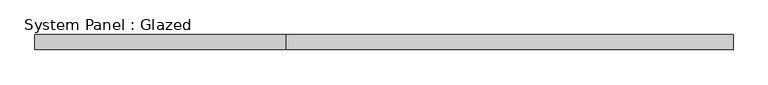
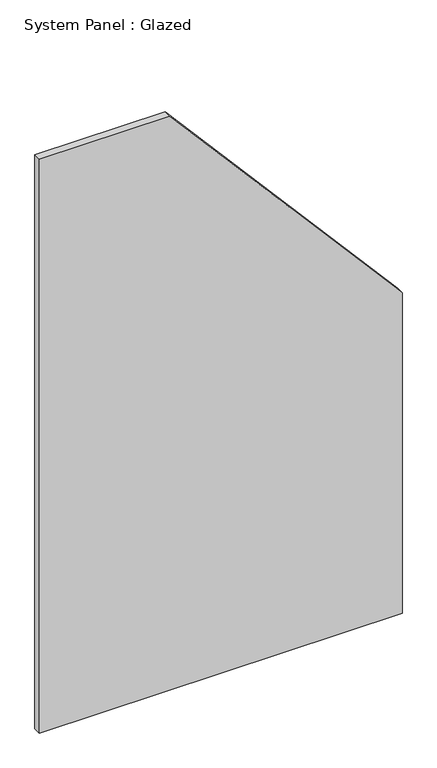
"""IFC4 building model written with IfcOpenShell, lengths in millimetres: plate geometry, System Panel : Glazed."""

from ifc_helpers import new_model, si_unit, frame, origin, place, context, project, spatial, polyline, outline, extrude, source, transform, mapped, element, save


def system_panel_glazed_22512c30(model_context):
    return source(origin(), model_context, "Body", "SweptSolid", [
        extrude(outline(polyline([(0.0, -580.0), (0.0, 580.0), (1082.4914887, 580.0), (1940.0, -162.6241548), (1940.0, -580.0), (0.0, -580.0)])), frame((0.0, 24.5, 0.0), z_axis=(0.0, 1.0, 0.0), x_axis=(0.0, 0.0, 1.0)), (0.0, 0.0, 1.0), 25.0),
    ])


if __name__ == "__main__":
    model = new_model("IFC4")
    model_context = context("Model", 3, world=origin())
    ifc_project = project(units=[si_unit("LENGTHUNIT", "METRE", prefix="MILLI")], contexts=[model_context])
    site = spatial("IfcSite", under=ifc_project)
    building = spatial("IfcBuilding", under=site)
    placement = place(None, origin())
    system_panel_glazed_shape = system_panel_glazed_22512c30(model_context)
    element("IfcPlate", 1, ObjectType="System Panel : Glazed", at=placement, inside=building, context=model_context, shape_type="MappedRepresentation", body=[
        mapped(system_panel_glazed_shape, transform((0.0, 0.0, 0.0), x_axis=(1.0, 0.0, 0.0), y_axis=(0.0, 1.0, 0.0), z_axis=(0.0, 0.0, 1.0))),
    ])
    save(model, "model.ifc")
